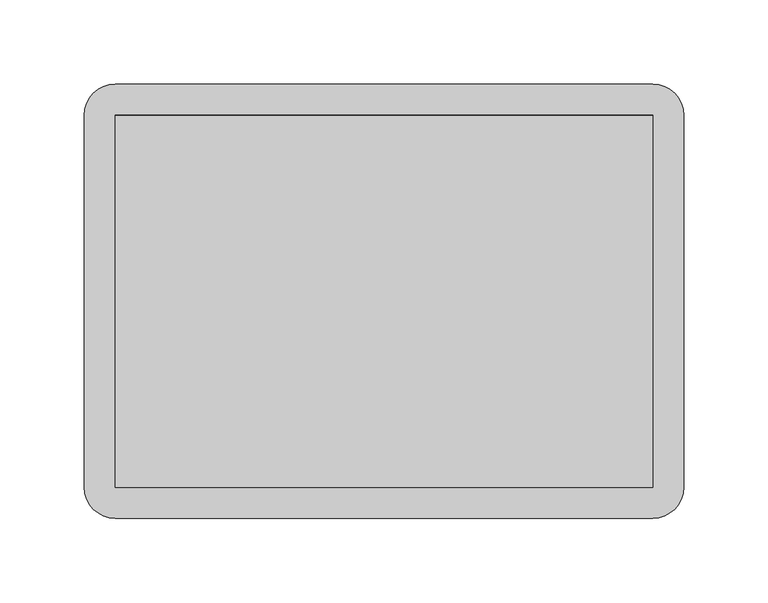
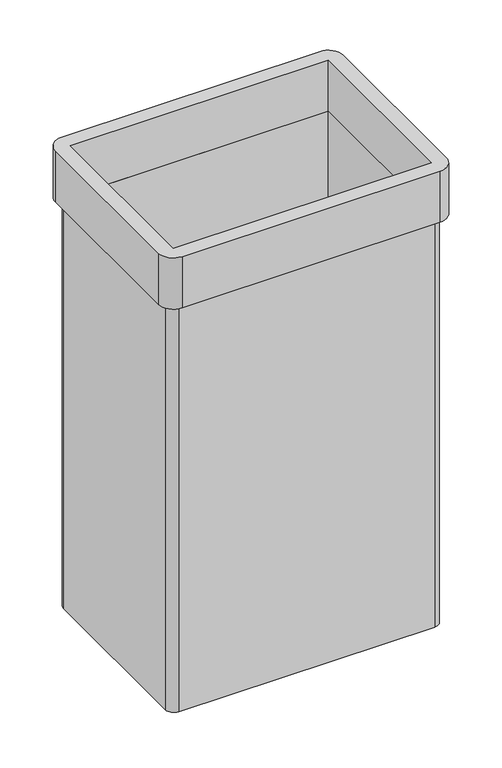
"""IFC4 building model written with IfcOpenShell, lengths in millimetres: furniture geometry."""

from ifc_helpers import new_model, si_unit, point, frame, frame_2d, origin, place, context, project, spatial, polyline, circle_curve, trimmed, segment, composite_curve, outline, extrude, source, transform, mapped, element, save
from ifc_brep_helpers import plane_surface, cylinder_surface, advanced_brep


def furniture_ab3816fc(model_context):
    return source(origin(), model_context, "Body", "SolidModel", [
        advanced_brep(
        [(158.25, 119.75, 534.2), (-158.25, 119.75, 534.2), (-168.75, 109.25, 534.2), (-168.75, -109.25, 534.2), (-158.25, -119.75, 534.2), (158.25, -119.75, 534.2), (168.75, -109.25, 534.2), (168.75, 109.25, 534.2), (159.5, 110.5, 534.2), (159.5, -110.5, 534.2), (-159.5, -110.5, 534.2), (-159.5, 110.5, 534.2), (158.25, 119.75, 0.0), (168.75, 109.25, 0.0), (168.75, -109.25, 0.0), (158.25, -119.75, 0.0), (-158.25, -119.75, 0.0), (-168.75, -109.25, 0.0), (-168.75, 109.25, 0.0), (-158.25, 119.75, 0.0), (159.5, 110.5, 8.0), (159.5, -110.5, 8.0), (-159.5, -110.5, 8.0), (-159.5, 110.5, 8.0)],
        [
            (0, 1),
            (1, 2, circle_curve(frame((-158.25, 109.25, 534.2), z_axis=(0.0, 0.0, 1.0), x_axis=(1.0, 0.0, 0.0)), 10.5)),
            (2, 3),
            (3, 4, circle_curve(frame((-158.25, -109.25, 534.2), z_axis=(0.0, 0.0, 1.0), x_axis=(1.0, 0.0, 0.0)), 10.5)),
            (4, 5),
            (5, 6, circle_curve(frame((158.25, -109.25, 534.2), z_axis=(0.0, 0.0, 1.0), x_axis=(1.0, 0.0, 0.0)), 10.5)),
            (6, 7),
            (7, 0, circle_curve(frame((158.25, 109.25, 534.2), z_axis=(0.0, 0.0, 1.0), x_axis=(1.0, 0.0, 0.0)), 10.5)),
            (8, 9),
            (9, 10),
            (10, 11),
            (11, 8),
            (12, 13, circle_curve(frame((158.25, 109.25, 0.0), z_axis=(0.0, 0.0, -1.0), x_axis=(1.0, 0.0, 0.0)), 10.5)),
            (13, 14),
            (14, 15, circle_curve(frame((158.25, -109.25, 0.0), z_axis=(0.0, 0.0, -1.0), x_axis=(1.0, 0.0, 0.0)), 10.5)),
            (15, 16),
            (16, 17, circle_curve(frame((-158.25, -109.25, 0.0), z_axis=(0.0, 0.0, -1.0), x_axis=(1.0, 0.0, 0.0)), 10.5)),
            (17, 18),
            (18, 19, circle_curve(frame((-158.25, 109.25, 0.0), z_axis=(0.0, 0.0, -1.0), x_axis=(1.0, 0.0, 0.0)), 10.5)),
            (19, 12),
            (8, 20),
            (20, 21),
            (21, 9),
            (21, 22),
            (22, 10),
            (22, 23),
            (23, 11),
            (23, 20),
            (0, 12),
            (19, 1),
            (18, 2),
            (17, 3),
            (16, 4),
            (15, 5),
            (14, 6),
            (13, 7),
        ],
        [
            plane_surface(frame((159.5, 110.5, 534.2), z_axis=(0.0, 0.0, 1.0), x_axis=(0.0, -1.0, 0.0))),
            plane_surface(frame((159.5, 110.5, 0.0), z_axis=(0.0, 0.0, -1.0), x_axis=(0.0, 1.0, 0.0))),
            plane_surface(frame((159.5, 110.5, 534.2), z_axis=(-1.0, 0.0, 0.0), x_axis=(0.0, 0.0, -1.0))),
            plane_surface(frame((159.5, -110.5, 534.2), z_axis=(0.0, 1.0, 0.0), x_axis=(0.0, 0.0, -1.0))),
            plane_surface(frame((-159.5, -110.5, 534.2), z_axis=(1.0, 0.0, 0.0), x_axis=(0.0, 0.0, -1.0))),
            plane_surface(frame((-159.5, 110.5, 534.2), z_axis=(0.0, -1.0, 0.0), x_axis=(0.0, 0.0, -1.0))),
            plane_surface(frame((158.25, 119.75, 534.2), z_axis=(0.0, 1.0, 0.0), x_axis=(0.0, 0.0, -1.0))),
            cylinder_surface(frame((-158.25, 109.25, 0.0), z_axis=(0.0, 0.0, 1.0), x_axis=(1.0, 0.0, 0.0)), 10.5),
            plane_surface(frame((-168.75, 109.25, 534.2), z_axis=(-1.0, 0.0, 0.0), x_axis=(0.0, 0.0, -1.0))),
            cylinder_surface(frame((-158.25, -109.25, 0.0), z_axis=(0.0, 0.0, 1.0), x_axis=(1.0, 0.0, 0.0)), 10.5),
            plane_surface(frame((-158.25, -119.75, 534.2), z_axis=(0.0, -1.0, 0.0), x_axis=(0.0, 0.0, -1.0))),
            cylinder_surface(frame((158.25, -109.25, 0.0), z_axis=(0.0, 0.0, 1.0), x_axis=(1.0, 0.0, 0.0)), 10.5),
            plane_surface(frame((168.75, -109.25, 534.2), z_axis=(1.0, 0.0, 0.0), x_axis=(0.0, 0.0, -1.0))),
            cylinder_surface(frame((158.25, 109.25, 0.0), z_axis=(0.0, 0.0, 1.0), x_axis=(1.0, 0.0, 0.0)), 10.5),
            plane_surface(frame((-159.5, 110.5, 8.0), z_axis=(0.0, 0.0, 1.0), x_axis=(-1.0, 0.0, 0.0))),
        ],
        [
            (0, [[1, 2, 3, 4, 5, 6, 7, 8], [9, 10, 11, 12]]),
            (1, [[13, 14, 15, 16, 17, 18, 19, 20]]),
            (2, [[-9, 21, 22, 23]]),
            (3, [[-10, -23, 24, 25]]),
            (4, [[-11, -25, 26, 27]]),
            (5, [[-12, -27, 28, -21]]),
            (6, [[-1, 29, -20, 30]]),
            (7, [[-2, -30, -19, 31]]),
            (8, [[-3, -31, -18, 32]]),
            (9, [[-4, -32, -17, 33]]),
            (10, [[-5, -33, -16, 34]]),
            (11, [[-6, -34, -15, 35]]),
            (12, [[-7, -35, -14, 36]]),
            (13, [[-8, -36, -13, -29]]),
            (14, [[-22, -28, -26, -24]]),
        ],
    ),
        extrude(outline(composite_curve([segment(trimmed(circle_curve(frame_2d((159.5, 110.5)), 18.5), [point((159.5, 129.0))], [point((178.0, 110.5))], False, "CARTESIAN"), True, "CONTINUOUS"), segment(polyline([(178.0, 110.5), (178.0, -110.5)]), True, "CONTINUOUS"), segment(trimmed(circle_curve(frame_2d((159.5, -110.5)), 18.5), [point((178.0, -110.5))], [point((159.5, -129.0))], False, "CARTESIAN"), True, "CONTINUOUS"), segment(polyline([(159.5, -129.0), (-159.5, -129.0)]), True, "CONTINUOUS"), segment(trimmed(circle_curve(frame_2d((-159.5, -110.5)), 18.5), [point((-159.5, -129.0))], [point((-178.0, -110.5))], False, "CARTESIAN"), True, "CONTINUOUS"), segment(polyline([(-178.0, -110.5), (-178.0, 110.5)]), True, "CONTINUOUS"), segment(trimmed(circle_curve(frame_2d((-159.5, 110.5)), 18.5), [point((-178.0, 110.5))], [point((-159.5, 129.0))], False, "CARTESIAN"), True, "CONTINUOUS"), segment(polyline([(-159.5, 129.0), (159.5, 129.0)]), True, "CONTINUOUS")], self_intersect=False), holes=[polyline([(159.5, 110.5), (-159.5, 110.5), (-159.5, -110.5), (159.5, -110.5), (159.5, 110.5)])]), frame((0.0, 0.0, 534.2), z_axis=(0.0, 0.0, 1.0), x_axis=(1.0, 0.0, 0.0)), (0.0, 0.0, 1.0), 67.0),
    ])


if __name__ == "__main__":
    model = new_model("IFC4")
    model_context = context("Model", 3, world=origin())
    ifc_project = project(units=[si_unit("LENGTHUNIT", "METRE", prefix="MILLI")], contexts=[model_context])
    site = spatial("IfcSite", under=ifc_project)
    building = spatial("IfcBuilding", under=site)
    placement = place(None, origin())
    furniture_shape = furniture_ab3816fc(model_context)
    element("IfcFurniture", 1, at=placement, inside=building, context=model_context, shape_type="MappedRepresentation", body=[
        mapped(furniture_shape, transform((0.0, 0.0, 0.0), x_axis=(1.0, 0.0, 0.0), y_axis=(0.0, 1.0, 0.0), z_axis=(0.0, 0.0, 1.0))),
    ])
    save(model, "model.ifc")
